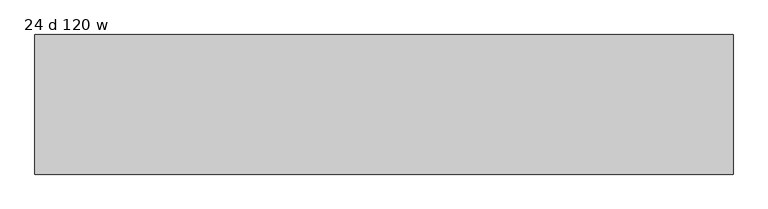
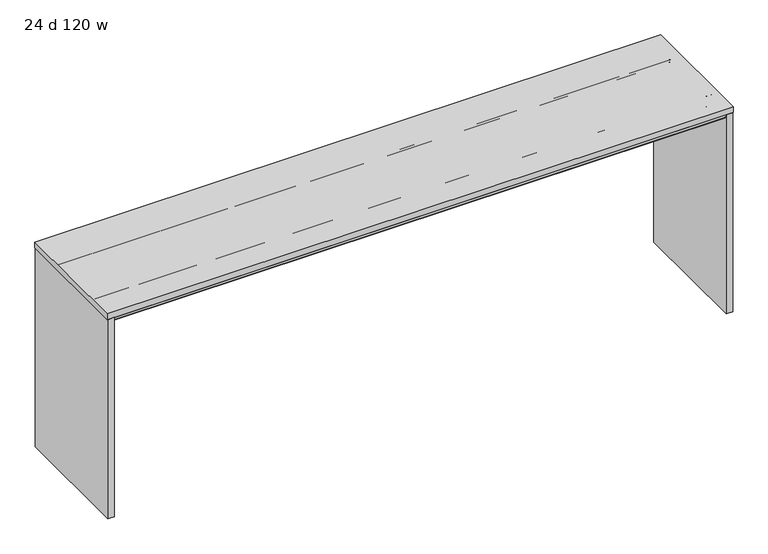
"""IFC4 building model written with IfcOpenShell, lengths in millimetres: furniture geometry, 24 d 120 w."""

from ifc_helpers import new_model, si_unit, frame, origin, place, context, project, spatial, polyline, circle_curve, outline, extrude, source, transform, mapped, element, save
from ifc_brep_helpers import plane_surface, cylinder_surface, revolved_surface, advanced_brep


def furniture_24_d_120_w_45ccf3f5(model_context):
    return source(origin(), model_context, "Body", "SolidModel", [
        advanced_brep(
        [(-1489.9632694, -212.0387871, 1035.7451368), (-1489.9632694, -212.0387871, 1037.2344355), (-1489.9632694, -4.8775792, 1037.2344355), (-1489.9632694, -4.8775792, 1035.7451368), (-1489.9632694, -68.948793, 1035.7451368), (-1489.9632694, -69.7387884, 1034.9551414), (-1489.9632694, -69.7387884, 981.8251949), (-1489.9632694, -71.7487901, 979.8151932), (-1489.9632694, -142.7288099, 979.8151932), (-1489.9632694, -144.7387889, 981.8251722), (-1489.9632694, -144.7387889, 1034.9551324), (-1489.9632694, -145.5287934, 1035.7451368), (-1489.9632694, -148.7440004, 1035.7451368), (-1489.9632694, -148.7440004, 1034.8551476), (-1489.9632694, -164.751863, 1034.8551476), (-1489.9632694, -165.7440074, 1033.8630031), (-1489.9632694, -165.7440074, 1022.7701294), (-1489.9632694, -167.4239921, 1021.0901447), (-1489.9632694, -301.064018, 1021.0901447), (-1489.9632694, -302.7440027, 1022.7701294), (-1489.9632694, -302.7440027, 1035.2851358), (-1489.9632694, -300.7947031, 1037.2344355), (-1489.9632694, -282.7440062, 1037.2344355), (-1489.9632694, -282.7440062, 1035.7451368), (1489.9632694, -144.7387889, 1034.9551324), (1489.9632694, -144.7387889, 981.8251722), (1489.9632694, -142.7288099, 979.8151932), (1489.9632694, -71.7487901, 979.8151932), (1489.9632694, -69.7387884, 981.8251949), (1489.9632694, -69.7387884, 1034.9551414), (1489.9632694, -68.948793, 1035.7451368), (1489.9632694, -4.8775792, 1035.7451368), (1489.9632694, -4.8775792, 1037.2344355), (1489.9632694, -144.7387889, 1037.2344355), (1513.8077008, -145.5287934, 1035.7451368), (1513.8077008, -212.0387871, 1035.7451368), (1489.9632694, -212.0387871, 1035.7451368), (1489.9632694, -148.7440004, 1035.7451368), (1489.9632694, -145.5287934, 1035.7451368), (-1437.6233975, -144.7387889, 1034.9551324), (-1413.7789661, -144.7387889, 1034.9551324), (-1457.5087931, -4.8775792, 1035.7451368), (-1451.8323695, -7.2288302, 1035.7451368), (-1423.0978826, -35.9633064, 1035.7451368), (-1405.1373737, -43.4027908, 1035.7451368), (1405.1373737, -43.4027908, 1035.7451368), (1423.0978826, -35.9633064, 1035.7451368), (1451.8323695, -7.2288302, 1035.7451368), (1457.5087931, -4.8775792, 1035.7451368), (1513.8077008, -212.0387871, 1037.2344355), (1513.8077008, -144.7387889, 1037.2344355), (1457.5087931, -4.8775792, 1037.2344355), (1451.8323695, -7.2288302, 1037.2344355), (1423.0978826, -35.9633064, 1037.2344355), (1405.1373737, -43.4027908, 1037.2344355), (-1405.1373737, -43.4027908, 1037.2344355), (-1423.0978826, -35.9633064, 1037.2344355), (-1451.8323695, -7.2288302, 1037.2344355), (-1457.5087931, -4.8775792, 1037.2344355), (1513.8077008, -144.7387889, 1034.9551324), (1489.9632694, -167.4239921, 1021.0901447), (1489.9632694, -165.7440074, 1022.7701294), (1489.9632694, -165.7440074, 1033.8630031), (1489.9632694, -164.751863, 1034.8551476), (1489.9632694, -148.7440004, 1034.8551476), (1489.9632694, -282.7440062, 1035.7451368), (1489.9632694, -282.7440062, 1037.2344355), (1489.9632694, -300.7947031, 1037.2344355), (1489.9632694, -302.7440027, 1035.2851358), (1489.9632694, -302.7440027, 1022.7701294), (1489.9632694, -301.064018, 1021.0901447)],
        [
            (0, 1),
            (1, 2),
            (2, 3),
            (3, 4),
            (4, 5, circle_curve(frame((-1489.9632694, -68.948793, 1034.9551414), z_axis=(1.0, 0.0, 0.0), x_axis=(0.0, 1.0, 0.0)), 0.7899954)),
            (5, 6),
            (6, 7, circle_curve(frame((-1489.9632694, -71.7487901, 981.8251949), z_axis=(-1.0, 0.0, 0.0), x_axis=(0.0, 1.0, 0.0)), 2.0100018)),
            (7, 8),
            (8, 9, circle_curve(frame((-1489.9632694, -142.7288099, 981.8251722), z_axis=(-1.0, 0.0, 0.0), x_axis=(0.0, 1.0, 0.0)), 2.0099791)),
            (9, 10),
            (10, 11, circle_curve(frame((-1489.9632694, -145.5287934, 1034.9551324), z_axis=(1.0, 0.0, 0.0), x_axis=(0.0, 1.0, 0.0)), 0.7900045)),
            (11, 12),
            (12, 13),
            (13, 14),
            (14, 15, circle_curve(frame((-1489.9632694, -164.751863, 1033.8630031), z_axis=(1.0, 0.0, 0.0), x_axis=(0.0, 1.0, 0.0)), 0.9921444)),
            (15, 16),
            (16, 17, circle_curve(frame((-1489.9632694, -167.4239921, 1022.7701294), z_axis=(-1.0, 0.0, 0.0), x_axis=(0.0, 1.0, 0.0)), 1.6799847)),
            (17, 18),
            (18, 19, circle_curve(frame((-1489.9632694, -301.064018, 1022.7701294), z_axis=(-1.0, 0.0, 0.0), x_axis=(0.0, 1.0, 0.0)), 1.6799847)),
            (19, 20),
            (20, 21, circle_curve(frame((-1489.9632694, -300.7947031, 1035.2851358), z_axis=(-1.0, 0.0, 0.0), x_axis=(0.0, 1.0, 0.0)), 1.9492996)),
            (21, 22),
            (22, 23),
            (23, 0),
            (24, 25),
            (25, 26, circle_curve(frame((1489.9632694, -142.7288099, 981.8251722), z_axis=(1.0, 0.0, 0.0), x_axis=(0.0, 1.0, 0.0)), 2.0099791)),
            (26, 27),
            (27, 28, circle_curve(frame((1489.9632694, -71.7487901, 981.8251949), z_axis=(1.0, 0.0, 0.0), x_axis=(0.0, 1.0, 0.0)), 2.0100018)),
            (28, 29),
            (29, 30, circle_curve(frame((1489.9632694, -68.948793, 1034.9551414), z_axis=(-1.0, 0.0, 0.0), x_axis=(0.0, 1.0, 0.0)), 0.7899954)),
            (30, 31),
            (31, 32),
            (32, 33),
            (33, 24),
            (34, 35),
            (35, 36),
            (36, 37),
            (37, 12),
            (11, 38),
            (38, 34),
            (10, 39),
            (39, 40),
            (40, 24),
            (24, 38, circle_curve(frame((1489.9632694, -145.5287934, 1034.9551324), z_axis=(1.0, 0.0, 0.0), x_axis=(0.0, 1.0, 0.0)), 0.7900045)),
            (9, 25),
            (8, 26),
            (7, 27),
            (6, 28),
            (5, 29),
            (4, 30),
            (3, 41),
            (41, 42, circle_curve(frame((-1457.5087931, -12.905256, 1035.7451368), z_axis=(0.0, 0.0, -1.0), x_axis=(-1.0, 0.0, 0.0)), 8.0276768)),
            (42, 43),
            (43, 44, circle_curve(frame((-1405.1373737, -18.0027908, 1035.7451368), z_axis=(0.0, 0.0, 1.0), x_axis=(-1.0, 0.0, 0.0)), 25.4)),
            (44, 45),
            (45, 46, circle_curve(frame((1405.1373737, -18.0027908, 1035.7451368), z_axis=(0.0, 0.0, 1.0), x_axis=(-1.0, 0.0, 0.0)), 25.4)),
            (46, 47),
            (47, 48, circle_curve(frame((1457.5087931, -12.905256, 1035.7451368), z_axis=(0.0, 0.0, -1.0), x_axis=(-1.0, 0.0, 0.0)), 8.0276768)),
            (48, 31),
            (1, 49),
            (49, 50),
            (50, 33),
            (32, 51),
            (51, 52, circle_curve(frame((1457.5087931, -12.905256, 1037.2344355), z_axis=(0.0, 0.0, 1.0), x_axis=(-1.0, 0.0, 0.0)), 8.0276768)),
            (52, 53),
            (53, 54, circle_curve(frame((1405.1373737, -18.0027908, 1037.2344355), z_axis=(0.0, 0.0, -1.0), x_axis=(-1.0, 0.0, 0.0)), 25.4)),
            (54, 55),
            (55, 56, circle_curve(frame((-1405.1373737, -18.0027908, 1037.2344355), z_axis=(0.0, 0.0, -1.0), x_axis=(-1.0, 0.0, 0.0)), 25.4)),
            (56, 57),
            (57, 58, circle_curve(frame((-1457.5087931, -12.905256, 1037.2344355), z_axis=(0.0, 0.0, 1.0), x_axis=(-1.0, 0.0, 0.0)), 8.0276768)),
            (58, 2),
            (0, 36),
            (35, 49),
            (34, 59, circle_curve(frame((1513.8077008, -145.5287934, 1034.9551324), z_axis=(-1.0, 0.0, 0.0), x_axis=(0.0, 0.0, 1.0)), 0.7900045)),
            (59, 50),
            (24, 59),
            (60, 61, circle_curve(frame((1489.9632694, -167.4239921, 1022.7701294), z_axis=(1.0, 0.0, 0.0), x_axis=(0.0, 1.0, 0.0)), 1.6799847)),
            (61, 62),
            (62, 63, circle_curve(frame((1489.9632694, -164.751863, 1033.8630031), z_axis=(-1.0, 0.0, 0.0), x_axis=(0.0, 1.0, 0.0)), 0.9921444)),
            (63, 64),
            (64, 37),
            (36, 65),
            (65, 66),
            (66, 67),
            (67, 68, circle_curve(frame((1489.9632694, -300.7947031, 1035.2851358), z_axis=(1.0, 0.0, 0.0), x_axis=(0.0, 1.0, 0.0)), 1.9492996)),
            (68, 69),
            (69, 70, circle_curve(frame((1489.9632694, -301.064018, 1022.7701294), z_axis=(1.0, 0.0, 0.0), x_axis=(0.0, 1.0, 0.0)), 1.6799847)),
            (70, 60),
            (16, 61),
            (60, 17),
            (15, 62),
            (14, 63),
            (13, 64),
            (23, 65),
            (22, 66),
            (21, 67),
            (20, 68),
            (19, 69),
            (18, 70),
            (58, 41),
            (57, 42),
            (56, 43),
            (55, 44),
            (54, 45),
            (53, 46),
            (52, 47),
            (51, 48),
        ],
        [
            plane_surface(frame((-1489.9632694, -107.2388, 1037.2344355), z_axis=(-1.0, 0.0, 0.0), x_axis=(0.0, 0.0, 1.0))),
            plane_surface(frame((1489.9632694, -107.2388, 1037.2344355), z_axis=(1.0, 0.0, 0.0), x_axis=(0.0, 0.0, 1.0))),
            plane_surface(frame((-1489.9632694, -145.5287934, 1035.7451368), z_axis=(0.0, 0.0, -1.0), x_axis=(1.0, 0.0, 0.0))),
            revolved_surface(polyline([(1489.9632694, -144.7387889, 1034.9551324), (-1489.9632694, -144.7387889, 1034.9551324)]), (-1489.9632694, -145.5287934, 1034.9551324), (1.0, 0.0, 0.0)),
            plane_surface(frame((-1489.9632694, -144.7387889, 981.8251722), z_axis=(0.0, -1.0, 0.0), x_axis=(1.0, 0.0, 0.0))),
            cylinder_surface(frame((-1489.9632694, -142.7288099, 981.8251722), z_axis=(-1.0, 0.0, 0.0), x_axis=(0.0, 1.0, 0.0)), 2.0099791),
            plane_surface(frame((-1489.9632694, -71.7487901, 979.8151932), z_axis=(0.0, 0.0, -1.0), x_axis=(1.0, 0.0, 0.0))),
            cylinder_surface(frame((-1489.9632694, -71.7487901, 981.8251949), z_axis=(-1.0, 0.0, 0.0), x_axis=(0.0, 1.0, 0.0)), 2.0100018),
            plane_surface(frame((-1489.9632694, -69.7387884, 1034.9551414), z_axis=(0.0, 1.0, 0.0), x_axis=(1.0, 0.0, 0.0))),
            revolved_surface(polyline([(1489.9632694, -68.1587976, 1034.9551414), (-1489.9632694, -68.1587976, 1034.9551414)]), (-1489.9632694, -68.948793, 1034.9551414), (1.0, 0.0, 0.0)),
            plane_surface(frame((-1489.9632694, -2.4387896, 1035.7451368), z_axis=(0.0, 0.0, -1.0), x_axis=(1.0, 0.0, 0.0))),
            plane_surface(frame((-1489.9632694, -212.0387871, 1037.2344355), z_axis=(0.0, 0.0, 1.0), x_axis=(1.0, 0.0, 0.0))),
            plane_surface(frame((-1489.9632694, -212.0387871, 1035.7451368), z_axis=(0.0, -1.0, 0.0), x_axis=(1.0, 0.0, 0.0))),
            plane_surface(frame((1513.8077008, -212.0387871, 1037.2344355), z_axis=(1.0, 0.0, 0.0), x_axis=(0.0, 0.0, -1.0))),
            revolved_surface(polyline([(1489.9632694, -145.5287934, 1035.7451368999998), (1513.8077008, -145.5287934, 1035.7451368999998)]), (1489.9632694, -145.5287934, 1034.9551324), (-1.0, 0.0, 0.0)),
            plane_surface(frame((1513.8077008, -144.7387889, 1034.9551324), z_axis=(0.0, 1.0, 0.0), x_axis=(-1.0, 0.0, 0.0))),
            plane_surface(frame((1489.9632694, -304.8, 1037.2344355), z_axis=(1.0, 0.0, 0.0), x_axis=(0.0, 0.0, 1.0))),
            cylinder_surface(frame((-1489.9632694, -167.4239921, 1022.7701294), z_axis=(-1.0, 0.0, 0.0), x_axis=(0.0, 1.0, 0.0)), 1.6799847),
            plane_surface(frame((-1489.9632694, -165.7440074, 1033.8630031), z_axis=(0.0, 1.0, 0.0), x_axis=(1.0, 0.0, 0.0))),
            revolved_surface(polyline([(1489.9632694, -163.75971859999999, 1033.8630031), (-1489.9632694, -163.75971859999999, 1033.8630031)]), (-1489.9632694, -164.751863, 1033.8630031), (1.0, 0.0, 0.0)),
            plane_surface(frame((-1489.9632694, -148.7440004, 1034.8551476), z_axis=(0.0, 0.0, -1.0), x_axis=(1.0, 0.0, 0.0))),
            plane_surface(frame((-1489.9632694, -148.7440004, 1035.7451368), z_axis=(0.0, 1.0, 0.0), x_axis=(1.0, 0.0, 0.0))),
            plane_surface(frame((-1489.9632694, -282.7440062, 1035.7451368), z_axis=(0.0, 0.0, 1.0), x_axis=(1.0, 0.0, 0.0))),
            plane_surface(frame((-1489.9632694, -282.7440062, 1037.2344355), z_axis=(0.0, 1.0, 0.0), x_axis=(1.0, 0.0, 0.0))),
            plane_surface(frame((-1489.9632694, -300.7947031, 1037.2344355), z_axis=(0.0, 0.0, 1.0), x_axis=(1.0, 0.0, 0.0))),
            cylinder_surface(frame((-1489.9632694, -300.7947031, 1035.2851358), z_axis=(-1.0, 0.0, 0.0), x_axis=(0.0, 1.0, 0.0)), 1.9492996),
            plane_surface(frame((-1489.9632694, -302.7440027, 1022.7701294), z_axis=(0.0, -1.0, 0.0), x_axis=(1.0, 0.0, 0.0))),
            cylinder_surface(frame((-1489.9632694, -301.064018, 1022.7701294), z_axis=(-1.0, 0.0, 0.0), x_axis=(0.0, 1.0, 0.0)), 1.6799847),
            plane_surface(frame((-1489.9632694, -167.4239921, 1021.0901447), z_axis=(0.0, 0.0, -1.0), x_axis=(1.0, 0.0, 0.0))),
            plane_surface(frame((-1489.9632694, -4.8775792, 1037.2344355), z_axis=(0.0, 1.0, 0.0), x_axis=(0.0, 0.0, -1.0))),
            cylinder_surface(frame((-1457.5087931, -12.905256, 1021.0901447), z_axis=(0.0, 0.0, -1.0), x_axis=(-1.0, 0.0, 0.0)), 8.0276768),
            plane_surface(frame((-1451.8323695, -7.2288302, 1037.2344355), z_axis=(0.7071066495450242, 0.7071069128280464, 0.0), x_axis=(0.0, 0.0, -1.0))),
            revolved_surface(polyline([(-1430.5373737, -18.0027908, 1037.2344355), (-1430.5373737, -18.0027908, 1035.7451368)]), (-1405.1373737, -18.0027908, 1021.0901447), (0.0, 0.0, 1.0)),
            plane_surface(frame((-1405.1373737, -43.4027908, 1037.2344355), z_axis=(0.0, 1.0, 0.0), x_axis=(0.0, 0.0, -1.0))),
            revolved_surface(polyline([(1379.7373736999998, -18.0027908, 1037.2344355), (1379.7373736999998, -18.0027908, 1035.7451368)]), (1405.1373737, -18.0027908, 1021.0901447), (0.0, 0.0, 1.0)),
            plane_surface(frame((1423.0978826, -35.9633064, 1037.2344355), z_axis=(-0.7071066495450121, 0.7071069128280584, 0.0), x_axis=(0.0, 0.0, -1.0))),
            cylinder_surface(frame((1457.5087931, -12.905256, 1021.0901447), z_axis=(0.0, 0.0, -1.0), x_axis=(-1.0, 0.0, 0.0)), 8.0276768),
            plane_surface(frame((1457.5087931, -4.8775792, 1037.2344355), z_axis=(0.0, 1.0, 0.0), x_axis=(0.0, 0.0, -1.0))),
        ],
        [
            (0, [[1, 2, 3, 4, 5, 6, 7, 8, 9, 10, 11, 12, 13, 14, 15, 16, 17, 18, 19, 20, 21, 22, 23, 24]]),
            (1, [[25, 26, 27, 28, 29, 30, 31, 32, 33, 34]]),
            (2, [[35, 36, 37, 38, -12, 39, 40]]),
            (3, [[-11, 41, 42, 43, 44, -39]]),
            (4, [[-10, 45, -25, -43, -42, -41]]),
            (5, [[-9, 46, -26, -45]]),
            (6, [[-8, 47, -27, -46]]),
            (7, [[-7, 48, -28, -47]]),
            (8, [[-6, 49, -29, -48]]),
            (9, [[-5, 50, -30, -49]]),
            (10, [[-50, -4, 51, 52, 53, 54, 55, 56, 57, 58, 59, -31]]),
            (11, [[-2, 60, 61, 62, -33, 63, 64, 65, 66, 67, 68, 69, 70, 71]]),
            (12, [[-1, 72, -36, 73, -60]]),
            (13, [[-73, -35, 74, 75, -61]]),
            (14, [[-74, -40, -44, 76]]),
            (15, [[-75, -76, -34, -62]]),
            (16, [[77, 78, 79, 80, 81, -37, 82, 83, 84, 85, 86, 87, 88]]),
            (17, [[-17, 89, -77, 90]]),
            (18, [[-16, 91, -78, -89]]),
            (19, [[-15, 92, -79, -91]]),
            (20, [[-14, 93, -80, -92]]),
            (21, [[-13, -38, -81, -93]]),
            (22, [[94, -82, -72, -24]]),
            (23, [[-23, 95, -83, -94]]),
            (24, [[-22, 96, -84, -95]]),
            (25, [[-21, 97, -85, -96]]),
            (26, [[-20, 98, -86, -97]]),
            (27, [[-19, 99, -87, -98]]),
            (28, [[-18, -90, -88, -99]]),
            (29, [[100, -51, -3, -71]]),
            (30, [[-100, -70, 101, -52]]),
            (31, [[-101, -69, 102, -53]]),
            (32, [[-102, -68, 103, -54]]),
            (33, [[-103, -67, 104, -55]]),
            (34, [[-104, -66, 105, -56]]),
            (35, [[-105, -65, 106, -57]]),
            (36, [[-106, -64, 107, -58]]),
            (37, [[-107, -63, -32, -59]]),
        ],
    ),
        advanced_brep(
        [(-1489.9632694, 145.5287934, 1035.7451368), (-1489.9632694, 144.7387889, 1034.9551324), (-1489.9632694, 144.7387889, 981.8251722), (-1489.9632694, 142.7288099, 979.8151932), (-1489.9632694, 71.7487901, 979.8151932), (-1489.9632694, 69.7387884, 981.8251949), (-1489.9632694, 69.7387884, 1034.9551414), (-1489.9632694, 68.948793, 1035.7451368), (-1489.9632694, 4.8775792, 1035.7451368), (-1489.9632694, 4.8775792, 1037.2344355), (-1489.9632694, 212.0387871, 1037.2344355), (-1489.9632694, 212.0387871, 1035.7451368), (-1489.9632694, 282.7440062, 1035.7451368), (-1489.9632694, 282.7440062, 1037.2344355), (-1489.9632694, 300.7947031, 1037.2344355), (-1489.9632694, 302.7440027, 1035.2851358), (-1489.9632694, 302.7440027, 1022.7701294), (-1489.9632694, 301.064018, 1021.0901447), (-1489.9632694, 167.4239921, 1021.0901447), (-1489.9632694, 165.7440074, 1022.7701294), (-1489.9632694, 165.7440074, 1033.8630031), (-1489.9632694, 164.751863, 1034.8551476), (-1489.9632694, 148.7440004, 1034.8551476), (-1489.9632694, 148.7440004, 1035.7451368), (1489.9632694, 68.948793, 1035.7451368), (1489.9632694, 69.7387884, 1034.9551414), (1489.9632694, 69.7387884, 981.8251949), (1489.9632694, 71.7487901, 979.8151932), (1489.9632694, 142.7288099, 979.8151932), (1489.9632694, 144.7387889, 981.8251722), (1489.9632694, 144.7387889, 1034.9551324), (1489.9632694, 144.7387889, 1037.2344355), (1489.9632694, 4.8775792, 1037.2344355), (1489.9632694, 4.8775792, 1035.7451368), (1513.8077008, 212.0387871, 1035.7451368), (1513.8077008, 145.5287934, 1035.7451368), (1489.9632694, 145.5287934, 1035.7451368), (1489.9632694, 148.7440004, 1035.7451368), (1489.9632694, 212.0387871, 1035.7451368), (-1413.7789661, 144.7387889, 1034.9551324), (-1437.6233975, 144.7387889, 1034.9551324), (1457.5087931, 4.8775792, 1035.7451368), (1451.8323695, 7.2288302, 1035.7451368), (1423.0978826, 35.9633064, 1035.7451368), (1405.1373737, 43.4027908, 1035.7451368), (-1405.1373737, 43.4027908, 1035.7451368), (-1423.0978826, 35.9633064, 1035.7451368), (-1451.8323695, 7.2288302, 1035.7451368), (-1457.5087931, 4.8775792, 1035.7451368), (-1457.5087931, 4.8775792, 1037.2344355), (-1451.8323695, 7.2288302, 1037.2344355), (-1423.0978826, 35.9633064, 1037.2344355), (-1405.1373737, 43.4027908, 1037.2344355), (1405.1373737, 43.4027908, 1037.2344355), (1423.0978826, 35.9633064, 1037.2344355), (1451.8323695, 7.2288302, 1037.2344355), (1457.5087931, 4.8775792, 1037.2344355), (1513.8077008, 144.7387889, 1037.2344355), (1513.8077008, 212.0387871, 1037.2344355), (1513.8077008, 144.7387889, 1034.9551324), (1489.9632694, 167.4239921, 1021.0901447), (1489.9632694, 301.064018, 1021.0901447), (1489.9632694, 302.7440027, 1022.7701294), (1489.9632694, 302.7440027, 1035.2851358), (1489.9632694, 300.7947031, 1037.2344355), (1489.9632694, 282.7440062, 1037.2344355), (1489.9632694, 282.7440062, 1035.7451368), (1489.9632694, 148.7440004, 1034.8551476), (1489.9632694, 164.751863, 1034.8551476), (1489.9632694, 165.7440074, 1033.8630031), (1489.9632694, 165.7440074, 1022.7701294)],
        [
            (0, 1, circle_curve(frame((-1489.9632694, 145.5287934, 1034.9551324), z_axis=(1.0, 0.0, 0.0), x_axis=(0.0, 1.0, 0.0)), 0.7900045)),
            (1, 2),
            (2, 3, circle_curve(frame((-1489.9632694, 142.7288099, 981.8251722), z_axis=(-1.0, 0.0, 0.0), x_axis=(0.0, 1.0, 0.0)), 2.0099791)),
            (3, 4),
            (4, 5, circle_curve(frame((-1489.9632694, 71.7487901, 981.8251949), z_axis=(-1.0, 0.0, 0.0), x_axis=(0.0, 1.0, 0.0)), 2.0100018)),
            (5, 6),
            (6, 7, circle_curve(frame((-1489.9632694, 68.948793, 1034.9551414), z_axis=(1.0, 0.0, 0.0), x_axis=(0.0, 1.0, 0.0)), 0.7899954)),
            (7, 8),
            (8, 9),
            (9, 10),
            (10, 11),
            (11, 12),
            (12, 13),
            (13, 14),
            (14, 15, circle_curve(frame((-1489.9632694, 300.7947031, 1035.2851358), z_axis=(-1.0, 0.0, 0.0), x_axis=(0.0, 1.0, 0.0)), 1.9492996)),
            (15, 16),
            (16, 17, circle_curve(frame((-1489.9632694, 301.064018, 1022.7701294), z_axis=(-1.0, 0.0, 0.0), x_axis=(0.0, 1.0, 0.0)), 1.6799847)),
            (17, 18),
            (18, 19, circle_curve(frame((-1489.9632694, 167.4239921, 1022.7701294), z_axis=(-1.0, 0.0, 0.0), x_axis=(0.0, 1.0, 0.0)), 1.6799847)),
            (19, 20),
            (20, 21, circle_curve(frame((-1489.9632694, 164.751863, 1033.8630031), z_axis=(1.0, 0.0, 0.0), x_axis=(0.0, 1.0, 0.0)), 0.9921444)),
            (21, 22),
            (22, 23),
            (23, 0),
            (24, 25, circle_curve(frame((1489.9632694, 68.948793, 1034.9551414), z_axis=(-1.0, 0.0, 0.0), x_axis=(0.0, 1.0, 0.0)), 0.7899954)),
            (25, 26),
            (26, 27, circle_curve(frame((1489.9632694, 71.7487901, 981.8251949), z_axis=(1.0, 0.0, 0.0), x_axis=(0.0, 1.0, 0.0)), 2.0100018)),
            (27, 28),
            (28, 29, circle_curve(frame((1489.9632694, 142.7288099, 981.8251722), z_axis=(1.0, 0.0, 0.0), x_axis=(0.0, 1.0, 0.0)), 2.0099791)),
            (29, 30),
            (30, 31),
            (31, 32),
            (32, 33),
            (33, 24),
            (34, 35),
            (35, 36),
            (36, 0),
            (23, 37),
            (37, 38),
            (38, 34),
            (36, 30, circle_curve(frame((1489.9632694, 145.5287934, 1034.9551324), z_axis=(1.0, 0.0, 0.0), x_axis=(0.0, 1.0, 0.0)), 0.7900045)),
            (30, 39),
            (39, 40),
            (40, 1),
            (29, 2),
            (28, 3),
            (27, 4),
            (26, 5),
            (25, 6),
            (24, 7),
            (33, 41),
            (41, 42, circle_curve(frame((1457.5087931, 12.905256, 1035.7451368), z_axis=(0.0, 0.0, -1.0), x_axis=(-1.0, 0.0, 0.0)), 8.0276768)),
            (42, 43),
            (43, 44, circle_curve(frame((1405.1373737, 18.0027908, 1035.7451368), z_axis=(0.0, 0.0, 1.0), x_axis=(-1.0, 0.0, 0.0)), 25.4)),
            (44, 45),
            (45, 46, circle_curve(frame((-1405.1373737, 18.0027908, 1035.7451368), z_axis=(0.0, 0.0, 1.0), x_axis=(-1.0, 0.0, 0.0)), 25.4)),
            (46, 47),
            (47, 48, circle_curve(frame((-1457.5087931, 12.905256, 1035.7451368), z_axis=(0.0, 0.0, -1.0), x_axis=(-1.0, 0.0, 0.0)), 8.0276768)),
            (48, 8),
            (9, 49),
            (49, 50, circle_curve(frame((-1457.5087931, 12.905256, 1037.2344355), z_axis=(0.0, 0.0, 1.0), x_axis=(-1.0, 0.0, 0.0)), 8.0276768)),
            (50, 51),
            (51, 52, circle_curve(frame((-1405.1373737, 18.0027908, 1037.2344355), z_axis=(0.0, 0.0, -1.0), x_axis=(-1.0, 0.0, 0.0)), 25.4)),
            (52, 53),
            (53, 54, circle_curve(frame((1405.1373737, 18.0027908, 1037.2344355), z_axis=(0.0, 0.0, -1.0), x_axis=(-1.0, 0.0, 0.0)), 25.4)),
            (54, 55),
            (55, 56, circle_curve(frame((1457.5087931, 12.905256, 1037.2344355), z_axis=(0.0, 0.0, 1.0), x_axis=(-1.0, 0.0, 0.0)), 8.0276768)),
            (56, 32),
            (31, 57),
            (57, 58),
            (58, 10),
            (58, 34),
            (38, 11),
            (57, 59),
            (59, 35, circle_curve(frame((1513.8077008, 145.5287934, 1034.9551324), z_axis=(-1.0, 0.0, 0.0), x_axis=(0.0, 0.0, 1.0)), 0.7900045)),
            (30, 59),
            (60, 61),
            (61, 62, circle_curve(frame((1489.9632694, 301.064018, 1022.7701294), z_axis=(1.0, 0.0, 0.0), x_axis=(0.0, 1.0, 0.0)), 1.6799847)),
            (62, 63),
            (63, 64, circle_curve(frame((1489.9632694, 300.7947031, 1035.2851358), z_axis=(1.0, 0.0, 0.0), x_axis=(0.0, 1.0, 0.0)), 1.9492996)),
            (64, 65),
            (65, 66),
            (66, 38),
            (37, 67),
            (67, 68),
            (68, 69, circle_curve(frame((1489.9632694, 164.751863, 1033.8630031), z_axis=(-1.0, 0.0, 0.0), x_axis=(0.0, 1.0, 0.0)), 0.9921444)),
            (69, 70),
            (70, 60, circle_curve(frame((1489.9632694, 167.4239921, 1022.7701294), z_axis=(1.0, 0.0, 0.0), x_axis=(0.0, 1.0, 0.0)), 1.6799847)),
            (18, 60),
            (70, 19),
            (69, 20),
            (68, 21),
            (67, 22),
            (66, 12),
            (65, 13),
            (64, 14),
            (63, 15),
            (62, 16),
            (61, 17),
            (56, 41),
            (55, 42),
            (54, 43),
            (53, 44),
            (52, 45),
            (51, 46),
            (50, 47),
            (49, 48),
        ],
        [
            plane_surface(frame((-1489.9632694, 107.2388, 1037.2344355), z_axis=(-1.0, 0.0, 0.0), x_axis=(0.0, 0.0, 1.0))),
            plane_surface(frame((1489.9632694, 107.2388, 1037.2344355), z_axis=(1.0, 0.0, 0.0), x_axis=(0.0, 0.0, 1.0))),
            plane_surface(frame((-1489.9632694, 212.0387871, 1035.7451368), z_axis=(0.0, 0.0, -1.0), x_axis=(1.0, 0.0, 0.0))),
            revolved_surface(polyline([(1489.9632694, 146.31879790000002, 1034.9551324), (-1489.9632694, 146.31879790000002, 1034.9551324)]), (-1489.9632694, 145.5287934, 1034.9551324), (1.0, 0.0, 0.0)),
            plane_surface(frame((-1489.9632694, 144.7387889, 1034.9551324), z_axis=(0.0, 1.0, 0.0), x_axis=(1.0, 0.0, 0.0))),
            cylinder_surface(frame((-1489.9632694, 142.7288099, 981.8251722), z_axis=(-1.0, 0.0, 0.0), x_axis=(0.0, 1.0, 0.0)), 2.0099791),
            plane_surface(frame((-1489.9632694, 142.7288099, 979.8151932), z_axis=(0.0, 0.0, -1.0), x_axis=(1.0, 0.0, 0.0))),
            cylinder_surface(frame((-1489.9632694, 71.7487901, 981.8251949), z_axis=(-1.0, 0.0, 0.0), x_axis=(0.0, 1.0, 0.0)), 2.0100018),
            plane_surface(frame((-1489.9632694, 69.7387884, 981.8251949), z_axis=(0.0, -1.0, 0.0), x_axis=(1.0, 0.0, 0.0))),
            revolved_surface(polyline([(1489.9632694, 69.73878839999999, 1034.9551414), (-1489.9632694, 69.73878839999999, 1034.9551414)]), (-1489.9632694, 68.948793, 1034.9551414), (1.0, 0.0, 0.0)),
            plane_surface(frame((-1489.9632694, 68.948793, 1035.7451368), z_axis=(0.0, 0.0, -1.0), x_axis=(1.0, 0.0, 0.0))),
            plane_surface(frame((-1489.9632694, 2.4387896, 1037.2344355), z_axis=(0.0, 0.0, 1.0), x_axis=(1.0, 0.0, 0.0))),
            plane_surface(frame((-1489.9632694, 212.0387871, 1037.2344355), z_axis=(0.0, 1.0, 0.0), x_axis=(1.0, 0.0, 0.0))),
            plane_surface(frame((1513.8077008, -212.0387871, 1037.2344355), z_axis=(1.0, 0.0, 0.0), x_axis=(0.0, 0.0, -1.0))),
            plane_surface(frame((1513.8077008, 144.7387889, 1037.2344355), z_axis=(0.0, -1.0, 0.0), x_axis=(-1.0, 0.0, 0.0))),
            revolved_surface(polyline([(1489.9632694, 145.5287934, 1035.7451368999998), (1513.8077008, 145.5287934, 1035.7451368999998)]), (1489.9632694, 145.5287934, 1034.9551324), (-1.0, 0.0, 0.0)),
            plane_surface(frame((1489.9632694, 304.8, 1037.2344355), z_axis=(1.0, 0.0, 0.0), x_axis=(0.0, 0.0, 1.0))),
            cylinder_surface(frame((-1489.9632694, 167.4239921, 1022.7701294), z_axis=(-1.0, 0.0, 0.0), x_axis=(0.0, 1.0, 0.0)), 1.6799847),
            plane_surface(frame((-1489.9632694, 165.7440074, 1022.7701294), z_axis=(0.0, -1.0, 0.0), x_axis=(1.0, 0.0, 0.0))),
            revolved_surface(polyline([(1489.9632694, 165.7440074, 1033.8630031), (-1489.9632694, 165.7440074, 1033.8630031)]), (-1489.9632694, 164.751863, 1033.8630031), (1.0, 0.0, 0.0)),
            plane_surface(frame((-1489.9632694, 164.751863, 1034.8551476), z_axis=(0.0, 0.0, -1.0), x_axis=(1.0, 0.0, 0.0))),
            plane_surface(frame((-1489.9632694, 148.7440004, 1034.8551476), z_axis=(0.0, -1.0, 0.0), x_axis=(1.0, 0.0, 0.0))),
            plane_surface(frame((-1489.9632694, 148.7440004, 1035.7451368), z_axis=(0.0, 0.0, 1.0), x_axis=(1.0, 0.0, 0.0))),
            plane_surface(frame((-1489.9632694, 282.7440062, 1035.7451368), z_axis=(0.0, -1.0, 0.0), x_axis=(1.0, 0.0, 0.0))),
            plane_surface(frame((-1489.9632694, 282.7440062, 1037.2344355), z_axis=(0.0, 0.0, 1.0), x_axis=(1.0, 0.0, 0.0))),
            cylinder_surface(frame((-1489.9632694, 300.7947031, 1035.2851358), z_axis=(-1.0, 0.0, 0.0), x_axis=(0.0, 1.0, 0.0)), 1.9492996),
            plane_surface(frame((-1489.9632694, 302.7440027, 1035.2851358), z_axis=(0.0, 1.0, 0.0), x_axis=(1.0, 0.0, 0.0))),
            cylinder_surface(frame((-1489.9632694, 301.064018, 1022.7701294), z_axis=(-1.0, 0.0, 0.0), x_axis=(0.0, 1.0, 0.0)), 1.6799847),
            plane_surface(frame((-1489.9632694, 301.064018, 1021.0901447), z_axis=(0.0, 0.0, -1.0), x_axis=(1.0, 0.0, 0.0))),
            plane_surface(frame((1489.9632694, 4.8775792, 1037.2344355), z_axis=(0.0, -1.0, 0.0), x_axis=(0.0, 0.0, -1.0))),
            cylinder_surface(frame((1457.5087931, 12.905256, 1021.0901447), z_axis=(0.0, 0.0, -1.0), x_axis=(-1.0, 0.0, 0.0)), 8.0276768),
            plane_surface(frame((1451.8323695, 7.2288302, 1037.2344355), z_axis=(-0.7071066495449072, -0.7071069128281634, 0.0), x_axis=(0.0, 0.0, -1.0))),
            revolved_surface(polyline([(1379.7373736999998, 18.0027908, 1037.2344355), (1379.7373736999998, 18.0027908, 1035.7451368)]), (1405.1373737, 18.0027908, 1021.0901447), (0.0, 0.0, 1.0)),
            plane_surface(frame((1405.1373737, 43.4027908, 1037.2344355), z_axis=(0.0, -1.0, 0.0), x_axis=(0.0, 0.0, -1.0))),
            revolved_surface(polyline([(-1430.5373737, 18.0027908, 1037.2344355), (-1430.5373737, 18.0027908, 1035.7451368)]), (-1405.1373737, 18.0027908, 1021.0901447), (0.0, 0.0, 1.0)),
            plane_surface(frame((-1423.0978826, 35.9633064, 1037.2344355), z_axis=(0.7071066495450051, -0.7071069128280656, 0.0), x_axis=(0.0, 0.0, -1.0))),
            cylinder_surface(frame((-1457.5087931, 12.905256, 1021.0901447), z_axis=(0.0, 0.0, -1.0), x_axis=(-1.0, 0.0, 0.0)), 8.0276768),
            plane_surface(frame((-1457.5087931, 4.8775792, 1037.2344355), z_axis=(0.0, -1.0, 0.0), x_axis=(0.0, 0.0, -1.0))),
        ],
        [
            (0, [[1, 2, 3, 4, 5, 6, 7, 8, 9, 10, 11, 12, 13, 14, 15, 16, 17, 18, 19, 20, 21, 22, 23, 24]]),
            (1, [[25, 26, 27, 28, 29, 30, 31, 32, 33, 34]]),
            (2, [[35, 36, 37, -24, 38, 39, 40]]),
            (3, [[-1, -37, 41, 42, 43, 44]]),
            (4, [[-2, -44, -43, -42, -30, 45]]),
            (5, [[-3, -45, -29, 46]]),
            (6, [[-4, -46, -28, 47]]),
            (7, [[-5, -47, -27, 48]]),
            (8, [[-6, -48, -26, 49]]),
            (9, [[-7, -49, -25, 50]]),
            (10, [[-50, -34, 51, 52, 53, 54, 55, 56, 57, 58, 59, -8]]),
            (11, [[-10, 60, 61, 62, 63, 64, 65, 66, 67, 68, -32, 69, 70, 71]]),
            (12, [[-11, -71, 72, -40, 73]]),
            (13, [[74, 75, -35, -72, -70]]),
            (14, [[-74, -69, -31, 76]]),
            (15, [[-75, -76, -41, -36]]),
            (16, [[77, 78, 79, 80, 81, 82, 83, -39, 84, 85, 86, 87, 88]]),
            (17, [[-19, 89, -88, 90]]),
            (18, [[-20, -90, -87, 91]]),
            (19, [[-21, -91, -86, 92]]),
            (20, [[-22, -92, -85, 93]]),
            (21, [[-23, -93, -84, -38]]),
            (22, [[94, -12, -73, -83]]),
            (23, [[-13, -94, -82, 95]]),
            (24, [[-14, -95, -81, 96]]),
            (25, [[-15, -96, -80, 97]]),
            (26, [[-16, -97, -79, 98]]),
            (27, [[-17, -98, -78, 99]]),
            (28, [[-18, -99, -77, -89]]),
            (29, [[100, -51, -33, -68]]),
            (30, [[-100, -67, 101, -52]]),
            (31, [[-101, -66, 102, -53]]),
            (32, [[-102, -65, 103, -54]]),
            (33, [[-103, -64, 104, -55]]),
            (34, [[-104, -63, 105, -56]]),
            (35, [[-105, -62, 106, -57]]),
            (36, [[-106, -61, 107, -58]]),
            (37, [[-107, -60, -9, -59]]),
        ],
    ),
        extrude(outline(polyline([(-1489.9632694, 304.8), (-1489.9632694, -304.8), (-1521.5098177, -304.8), (-1521.5098177, 304.8), (-1489.9632694, 304.8)])), frame((0.0, 0.0, 12.2237497), z_axis=(0.0, 0.0, 1.0), x_axis=(1.0, 0.0, 0.0)), (0.0, 0.0, 1.0), 1025.0106858),
        extrude(outline(polyline([(1489.9632694, 304.8), (1521.5098177, 304.8), (1521.5098177, -304.8), (1489.9632694, -304.8), (1489.9632694, 304.8)])), frame((0.0, 0.0, 12.2237497), z_axis=(0.0, 0.0, 1.0), x_axis=(1.0, 0.0, 0.0)), (0.0, 0.0, 1.0), 1025.0106858),
        extrude(outline(polyline([(1524.0, 304.8), (1524.0, -304.8), (-1524.0, -304.8), (-1524.0, 304.8), (1524.0, 304.8)])), frame((0.0, 0.0, 1037.2344355), z_axis=(0.0, 0.0, 1.0), x_axis=(1.0, 0.0, 0.0)), (0.0, 0.0, 1.0), 29.5655645),
    ])


if __name__ == "__main__":
    model = new_model("IFC4")
    model_context = context("Model", 3, world=origin())
    ifc_project = project(units=[si_unit("LENGTHUNIT", "METRE", prefix="MILLI")], contexts=[model_context])
    site = spatial("IfcSite", under=ifc_project)
    building = spatial("IfcBuilding", under=site)
    placement = place(None, origin())
    furniture_24_d_120_w_shape = furniture_24_d_120_w_45ccf3f5(model_context)
    element("IfcFurniture", 1, ObjectType="24 d 120 w", at=placement, inside=building, context=model_context, shape_type="MappedRepresentation", body=[
        mapped(furniture_24_d_120_w_shape, transform((0.0, 0.0, 0.0), x_axis=(1.0, 0.0, 0.0), y_axis=(0.0, 1.0, 0.0), z_axis=(0.0, 0.0, 1.0))),
    ])
    save(model, "model.ifc")
